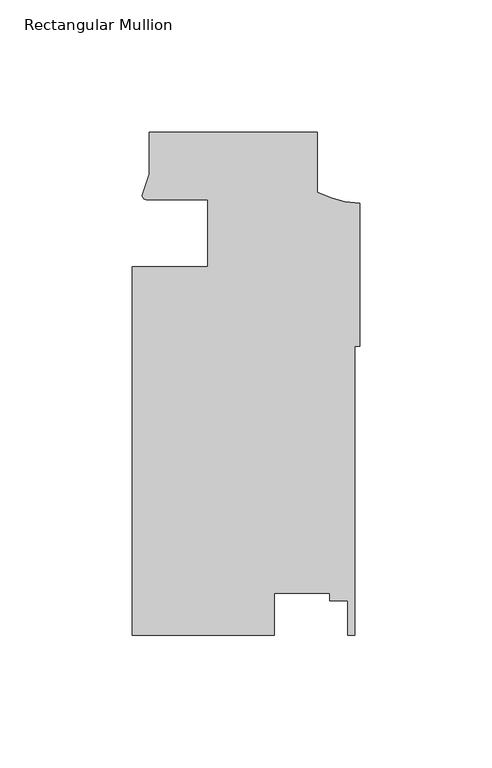
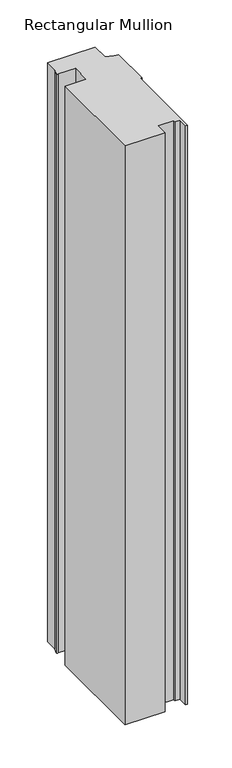
"""IFC4 building model written with IfcOpenShell, lengths in millimetres: member geometry, Rectangular Mullion."""

from ifc_helpers import new_model, si_unit, point, frame, frame_2d, origin, place, context, project, spatial, polyline, circle_curve, trimmed, segment, composite_curve, outline, extrude, source, transform, mapped, element, save


def rectangular_mullion_9f6dc3fb(model_context):
    return source(origin(), model_context, "Body", "SweptSolid", [
        extrude(outline(composite_curve([segment(polyline([(-85.8370969, -44.4504525), (-57.2620969, -44.4498707), (-57.2620969, -19.3676327)]), True, "CONTINUOUS"), segment(trimmed(circle_curve(frame_2d((-75.1863451, -480.0578197)), 461.0387479), [point((-57.2620969, -19.3676327))], [point((-80.5212257, -19.049939))], True, "CARTESIAN"), True, "CONTINUOUS"), segment(trimmed(circle_curve(frame_2d((-80.4383342, -17.348588)), 1.703369), [point((-80.5212257, -19.049939))], [point((-82.1379521, -17.4615708))], False, "CARTESIAN"), True, "CONTINUOUS"), segment(polyline([(-82.1379521, -17.4615708), (-79.4870969, -9.5249023), (-79.4870969, 6.35), (-15.9870969, 6.35), (-15.9870969, -16.1877131)]), True, "CONTINUOUS"), segment(trimmed(circle_curve(frame_2d((1.9614918, 18.9308025)), 39.4393455), [point((-15.9870969, -16.1877131))], [point((0.0, -20.459736))], True, "CARTESIAN"), True, "CONTINUOUS"), segment(polyline([(0.0, -20.459736), (0.0, -74.490266), (-1.8773984, -74.490266), (-1.8773984, -183.642), (-4.4173983, -183.642), (-4.4173983, -170.5982008), (-11.275398, -170.5982008), (-11.275398, -167.7435955), (-32.2220472, -167.7435955), (-32.2220472, -183.642), (-85.8370969, -183.642), (-85.8370969, -44.4504525)]), True, "CONTINUOUS")], self_intersect=False)), frame((0.0, 0.0, -819.1500061), z_axis=(0.0, 0.0, 1.0), x_axis=(1.0, 0.0, 0.0)), (0.0, 0.0, 1.0), 819.1500061),
    ])


if __name__ == "__main__":
    model = new_model("IFC4")
    model_context = context("Model", 3, world=origin())
    ifc_project = project(units=[si_unit("LENGTHUNIT", "METRE", prefix="MILLI")], contexts=[model_context])
    site = spatial("IfcSite", under=ifc_project)
    building = spatial("IfcBuilding", under=site)
    placement = place(None, origin())
    rectangular_mullion_shape = rectangular_mullion_9f6dc3fb(model_context)
    element("IfcMember", 1, ObjectType="Rectangular Mullion", at=placement, inside=building, context=model_context, shape_type="MappedRepresentation", body=[
        mapped(rectangular_mullion_shape, transform((0.0, 0.0, 0.0), x_axis=(1.0, 0.0, 0.0), y_axis=(0.0, 1.0, 0.0), z_axis=(0.0, 0.0, 1.0))),
    ])
    save(model, "model.ifc")
